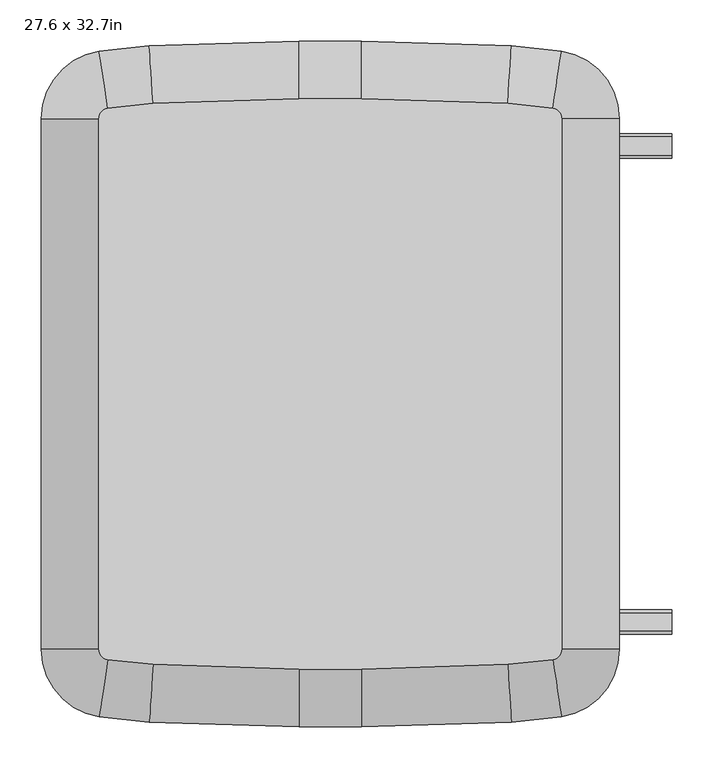
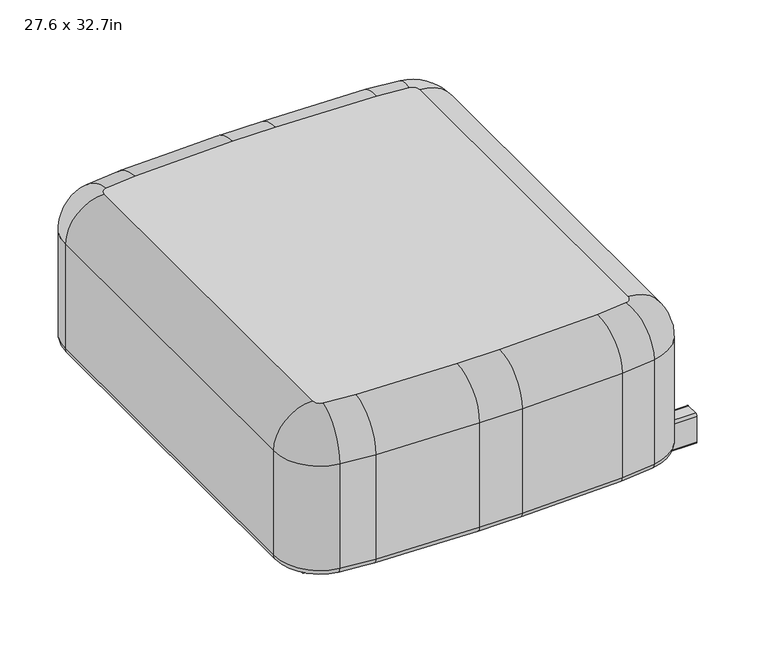
"""IFC4 building model written with IfcOpenShell, lengths in millimetres: furniture geometry, 27.6 x 32.7in."""

from ifc_helpers import new_model, si_unit, point, frame, frame_2d, origin, place, context, project, spatial, polyline, circle_curve, ellipse_curve, trimmed, segment, composite_curve, outline, extrude, source, transform, mapped, element, save
from ifc_brep_helpers import plane_surface, cylinder_surface, revolved_surface, advanced_brep


def furniture_27_6_x_32_7in_88be8f79(model_context):
    return source(origin(), model_context, "Body", "SolidModel", [
        extrude(outline(composite_curve([segment(polyline([(-299.48, 127.0), (-277.1, 127.0)]), True, "CONTINUOUS"), segment(trimmed(circle_curve(frame_2d((-277.1, 123.19)), 3.81), [point((-277.1, 127.0))], [point((-273.29, 123.19))], False, "CARTESIAN"), True, "CONTINUOUS"), segment(polyline([(-273.29, 123.19), (-273.29, 74.93)]), True, "CONTINUOUS"), segment(trimmed(circle_curve(frame_2d((-277.1, 74.93)), 3.81), [point((-273.29, 74.93))], [point((-277.1, 71.12))], False, "CARTESIAN"), True, "CONTINUOUS"), segment(polyline([(-277.1, 71.12), (-299.48, 71.12)]), True, "CONTINUOUS"), segment(trimmed(circle_curve(frame_2d((-299.48, 74.93)), 3.81), [point((-299.48, 71.12))], [point((-303.29, 74.93))], False, "CARTESIAN"), True, "CONTINUOUS"), segment(polyline([(-303.29, 74.93), (-303.29, 123.19)]), True, "CONTINUOUS"), segment(trimmed(circle_curve(frame_2d((-299.48, 123.19)), 3.81), [point((-303.29, 123.19))], [point((-299.48, 127.0))], False, "CARTESIAN"), True, "CONTINUOUS")], self_intersect=False)), frame((287.02, 0.0, 0.0), z_axis=(1.0, 0.0, 0.0), x_axis=(0.0, 1.0, 0.0)), (0.0, 0.0, 1.0), 127.0),
        extrude(outline(composite_curve([segment(trimmed(circle_curve(frame_2d((299.48, 123.19)), 3.81), [point((299.48, 127.0))], [point((303.29, 123.19))], False, "CARTESIAN"), True, "CONTINUOUS"), segment(polyline([(303.29, 123.19), (303.29, 74.93)]), True, "CONTINUOUS"), segment(trimmed(circle_curve(frame_2d((299.48, 74.93)), 3.81), [point((303.29, 74.93))], [point((299.48, 71.12))], False, "CARTESIAN"), True, "CONTINUOUS"), segment(polyline([(299.48, 71.12), (277.1, 71.12)]), True, "CONTINUOUS"), segment(trimmed(circle_curve(frame_2d((277.1, 74.93)), 3.81), [point((277.1, 71.12))], [point((273.29, 74.93))], False, "CARTESIAN"), True, "CONTINUOUS"), segment(polyline([(273.29, 74.93), (273.29, 123.19)]), True, "CONTINUOUS"), segment(trimmed(circle_curve(frame_2d((277.1, 123.19)), 3.81), [point((273.29, 123.19))], [point((277.1, 127.0))], False, "CARTESIAN"), True, "CONTINUOUS"), segment(polyline([(277.1, 127.0), (299.48, 127.0)]), True, "CONTINUOUS")], self_intersect=False)), frame((287.02, 0.0, 0.0), z_axis=(1.0, 0.0, 0.0), x_axis=(0.0, 1.0, 0.0)), (0.0, 0.0, 1.0), 127.0),
        extrude(outline(composite_curve([segment(polyline([(277.1, 127.0), (299.48, 127.0)]), True, "CONTINUOUS"), segment(trimmed(circle_curve(frame_2d((299.48, 123.19)), 3.81), [point((299.48, 127.0))], [point((303.29, 123.19))], False, "CARTESIAN"), True, "CONTINUOUS"), segment(polyline([(303.29, 123.19), (303.29, 74.93)]), True, "CONTINUOUS"), segment(trimmed(circle_curve(frame_2d((299.48, 74.93)), 3.81), [point((303.29, 74.93))], [point((299.48, 71.12))], False, "CARTESIAN"), True, "CONTINUOUS"), segment(polyline([(299.48, 71.12), (277.1, 71.12)]), True, "CONTINUOUS"), segment(trimmed(circle_curve(frame_2d((277.1, 74.93)), 3.81), [point((277.1, 71.12))], [point((273.29, 74.93))], False, "CARTESIAN"), True, "CONTINUOUS"), segment(polyline([(273.29, 74.93), (273.29, 123.19)]), True, "CONTINUOUS"), segment(trimmed(circle_curve(frame_2d((277.1, 123.19)), 3.81), [point((273.29, 123.19))], [point((277.1, 127.0))], False, "CARTESIAN"), True, "CONTINUOUS")], self_intersect=False)), frame((-287.02, 0.0, 0.0), z_axis=(1.0, 0.0, 0.0), x_axis=(0.0, 1.0, 0.0)), (0.0, 0.0, 1.0), 574.04),
        extrude(outline(composite_curve([segment(polyline([(-299.48, 127.0), (-277.1, 127.0)]), True, "CONTINUOUS"), segment(trimmed(circle_curve(frame_2d((-277.1, 123.19)), 3.81), [point((-277.1, 127.0))], [point((-273.29, 123.19))], False, "CARTESIAN"), True, "CONTINUOUS"), segment(polyline([(-273.29, 123.19), (-273.29, 74.93)]), True, "CONTINUOUS"), segment(trimmed(circle_curve(frame_2d((-277.1, 74.93)), 3.81), [point((-273.29, 74.93))], [point((-277.1, 71.12))], False, "CARTESIAN"), True, "CONTINUOUS"), segment(polyline([(-277.1, 71.12), (-299.48, 71.12)]), True, "CONTINUOUS"), segment(trimmed(circle_curve(frame_2d((-299.48, 74.93)), 3.81), [point((-299.48, 71.12))], [point((-303.29, 74.93))], False, "CARTESIAN"), True, "CONTINUOUS"), segment(polyline([(-303.29, 74.93), (-303.29, 123.19)]), True, "CONTINUOUS"), segment(trimmed(circle_curve(frame_2d((-299.48, 123.19)), 3.81), [point((-303.29, 123.19))], [point((-299.48, 127.0))], False, "CARTESIAN"), True, "CONTINUOUS")], self_intersect=False)), frame((-287.02, 0.0, 0.0), z_axis=(1.0, 0.0, 0.0), x_axis=(0.0, 1.0, 0.0)), (0.0, 0.0, 1.0), 574.04),
        advanced_brep(
        [(-280.2517982, -403.1636253, 139.7), (-350.52, -321.5323817, 139.7), (-337.82, -321.5323817, 127.0), (-278.3622908, -390.6049724, 127.0), (-280.2517982, -403.1636253, 336.55), (-350.52, -321.5323817, 336.55), (-218.6519754, -396.951287, 127.0), (-219.444455, -409.6265376, 139.7), (-219.444455, -409.6265376, 336.55), (-38.1, -402.59, 127.0), (-38.1, -415.29, 139.7), (-38.1, -415.29, 336.55), (38.1, -402.59, 127.0), (38.1, -415.29, 139.7), (38.1, -415.29, 336.55), (218.6519754, -396.951287, 127.0), (219.444455, -409.6265376, 139.7), (219.444455, -409.6265376, 336.55), (278.3622908, -390.6049724, 127.0), (280.2517982, -403.1636253, 139.7), (280.2517982, -403.1636253, 336.55), (337.82, -321.5323817, 127.0), (350.52, -321.5323817, 139.7), (350.52, -321.5323817, 336.55), (337.82, 321.5323817, 127.0), (350.52, 321.5323817, 139.7), (350.52, 321.5323817, 336.55), (278.3622908, 390.6049724, 127.0), (280.2517982, 403.1636253, 139.7), (280.2517982, 403.1636253, 336.55), (218.6519754, 396.951287, 127.0), (219.444455, 409.6265376, 139.7), (219.444455, 409.6265376, 336.55), (38.1, 402.59, 127.0), (38.1, 415.29, 139.7), (38.1, 415.29, 336.55), (-38.1, 402.59, 127.0), (-38.1, 415.29, 139.7), (-38.1, 415.29, 336.55), (-218.6519754, 396.951287, 127.0), (-219.444455, 409.6265376, 139.7), (-219.444455, 409.6265376, 336.55), (-278.3622908, 390.6049724, 127.0), (-280.2517982, 403.1636253, 139.7), (-280.2517982, 403.1636253, 336.55), (-337.82, 321.5323817, 127.0), (-350.52, 321.5323817, 139.7), (-350.52, 321.5323817, 336.55), (-215.0858173, 339.9126596, 406.4), (-269.8595074, 334.0910345, 406.4), (-280.67, 321.5323817, 406.4), (-280.67, -321.5323817, 406.4), (-269.8595074, -334.0910345, 406.4), (-215.0858173, -339.9126596, 406.4), (-38.1, -345.44, 406.4), (38.1, -345.44, 406.4), (215.0858173, -339.9126596, 406.4), (269.8595074, -334.0910345, 406.4), (280.67, -321.5323817, 406.4), (280.67, 321.5323817, 406.4), (269.8595074, 334.0910345, 406.4), (215.0858173, 339.9126596, 406.4), (38.1, 345.44, 406.4), (-38.1, 345.44, 406.4)],
        [
            (0, 1, circle_curve(frame((-267.97, -321.5323817, 139.7), z_axis=(0.0, 0.0, -1.0), x_axis=(-1.0, 0.0, 0.0)), 82.55)),
            (1, 2, circle_curve(frame((-337.82, -321.5323817, 139.7), z_axis=(0.0, -1.0, 0.0), x_axis=(1.0, 0.0, 0.0)), 12.7)),
            (2, 3, circle_curve(frame((-267.97, -321.5323817, 127.0), z_axis=(0.0, 0.0, 1.0), x_axis=(-1.0, 0.0, 0.0)), 69.85)),
            (3, 0, circle_curve(frame((-278.3622908, -390.6049724, 139.7), z_axis=(-0.988870304083689, 0.1487801119149752, 0.0), x_axis=(0.1487801119149752, 0.988870304083689, 0.0)), 12.7)),
            (0, 4),
            (4, 5, circle_curve(frame((-267.97, -321.5323817, 336.55), z_axis=(0.0, 0.0, -1.0), x_axis=(-1.0, 0.0, 0.0)), 82.55)),
            (5, 1),
            (3, 6, circle_curve(frame((-175.5179687, 292.952089, 127.0), z_axis=(0.0, 0.0, 1.0), x_axis=(-0.14878011191497612, -0.9888703040836888, 0.0)), 691.2504689)),
            (6, 7, circle_curve(frame((-218.6519754, -396.951287, 139.7), z_axis=(-0.9980512231710863, 0.06239996736135857, 0.0), x_axis=(0.06239996736135857, 0.9980512231710863, 0.0)), 12.7)),
            (7, 0, circle_curve(frame((-175.5179687, 292.952089, 139.7), z_axis=(0.0, 0.0, -1.0), x_axis=(-0.14878011191497612, -0.9888703040836888, 0.0)), 703.9504689)),
            (7, 8),
            (8, 4, circle_curve(frame((-175.5179687, 292.952089, 336.55), z_axis=(0.0, 0.0, -1.0), x_axis=(-0.14878011191497612, -0.9888703040836888, 0.0)), 703.9504689)),
            (6, 9, circle_curve(frame((-38.1, 2490.8726576, 127.0), z_axis=(0.0, 0.0, 1.0), x_axis=(-0.062399967361358485, -0.9980512231710862, 0.0)), 2893.4626576)),
            (9, 10, circle_curve(frame((-38.1, -402.59, 139.7), z_axis=(-0.9999999999999999, 0.0, 0.0), x_axis=(0.0, 0.9999999999999999, 0.0)), 12.7)),
            (10, 7, circle_curve(frame((-38.1, 2490.8726576, 139.7), z_axis=(0.0, 0.0, -1.0), x_axis=(-0.062399967361358485, -0.9980512231710862, 0.0)), 2906.1626576)),
            (10, 11),
            (11, 8, circle_curve(frame((-38.1, 2490.8726576, 336.55), z_axis=(0.0, 0.0, -1.0), x_axis=(-0.062399967361358485, -0.9980512231710862, 0.0)), 2906.1626576)),
            (9, 12),
            (12, 13, circle_curve(frame((38.1, -402.59, 139.7), z_axis=(-1.0, 0.0, 0.0), x_axis=(0.0, 1.0, 0.0)), 12.7)),
            (13, 10),
            (13, 14),
            (14, 11),
            (12, 15, circle_curve(frame((38.1, 2490.8726576, 127.0), z_axis=(0.0, 0.0, 1.0), x_axis=(0.0, -1.0, 0.0)), 2893.4626576)),
            (15, 16, circle_curve(frame((218.6519754, -396.951287, 139.7), z_axis=(-0.9980512231710863, -0.06239996736135682, 0.0), x_axis=(-0.06239996736135682, 0.9980512231710863, 0.0)), 12.7)),
            (16, 13, circle_curve(frame((38.1, 2490.8726576, 139.7), z_axis=(0.0, 0.0, -1.0), x_axis=(0.0, -1.0, 0.0)), 2906.1626576)),
            (16, 17),
            (17, 14, circle_curve(frame((38.1, 2490.8726576, 336.55), z_axis=(0.0, 0.0, -1.0), x_axis=(0.0, -1.0, 0.0)), 2906.1626576)),
            (15, 18, circle_curve(frame((175.5179687, 292.952089, 127.0), z_axis=(0.0, 0.0, 1.0), x_axis=(0.062399967361352164, -0.9980512231710866, 0.0)), 691.2504689)),
            (18, 19, circle_curve(frame((278.3622908, -390.6049724, 139.7), z_axis=(-0.9888703040836846, -0.14878011191500326, 0.0), x_axis=(-0.14878011191500326, 0.9888703040836846, 0.0)), 12.7)),
            (19, 16, circle_curve(frame((175.5179687, 292.952089, 139.7), z_axis=(0.0, 0.0, -1.0), x_axis=(0.062399967361352164, -0.9980512231710866, 0.0)), 703.9504689)),
            (19, 20),
            (20, 17, circle_curve(frame((175.5179687, 292.952089, 336.55), z_axis=(0.0, 0.0, -1.0), x_axis=(0.062399967361352164, -0.9980512231710866, 0.0)), 703.9504689)),
            (18, 21, circle_curve(frame((267.97, -321.5323817, 127.0), z_axis=(0.0, 0.0, 1.0), x_axis=(0.14878011191500345, -0.9888703040836847, 0.0)), 69.85)),
            (21, 22, circle_curve(frame((337.82, -321.5323817, 139.7), z_axis=(0.0, -1.0, 0.0), x_axis=(-1.0, 0.0, 0.0)), 12.7)),
            (22, 19, circle_curve(frame((267.97, -321.5323817, 139.7), z_axis=(0.0, 0.0, -1.0), x_axis=(0.14878011191500345, -0.9888703040836847, 0.0)), 82.55)),
            (22, 23),
            (23, 20, circle_curve(frame((267.97, -321.5323817, 336.55), z_axis=(0.0, 0.0, -1.0), x_axis=(0.14878011191500345, -0.9888703040836847, 0.0)), 82.55)),
            (21, 24),
            (24, 25, circle_curve(frame((337.82, 321.5323817, 139.7), z_axis=(0.0, -1.0, 0.0), x_axis=(-1.0, 0.0, 0.0)), 12.7)),
            (25, 22),
            (25, 26),
            (26, 23),
            (24, 27, circle_curve(frame((267.97, 321.5323817, 127.0), z_axis=(0.0, 0.0, 1.0), x_axis=(1.0, 0.0, 0.0)), 69.85)),
            (27, 28, circle_curve(frame((278.3622908, 390.6049724, 139.7), z_axis=(0.9888703040836847, -0.14878011191500387, 0.0), x_axis=(-0.14878011191500387, -0.9888703040836847, 0.0)), 12.7)),
            (28, 25, circle_curve(frame((267.97, 321.5323817, 139.7), z_axis=(0.0, 0.0, -1.0), x_axis=(1.0, 0.0, 0.0)), 82.55)),
            (28, 29),
            (29, 26, circle_curve(frame((267.97, 321.5323817, 336.55), z_axis=(0.0, 0.0, -1.0), x_axis=(1.0, 0.0, 0.0)), 82.55)),
            (27, 30, circle_curve(frame((175.5179687, -292.952089, 127.0), z_axis=(0.0, 0.0, 1.0), x_axis=(0.14878011191500345, 0.9888703040836847, 0.0)), 691.2504689)),
            (30, 31, circle_curve(frame((218.6519754, 396.951287, 139.7), z_axis=(0.9980512231710862, -0.06239996736135908, 0.0), x_axis=(-0.06239996736135908, -0.9980512231710862, 0.0)), 12.7)),
            (31, 28, circle_curve(frame((175.5179687, -292.952089, 139.7), z_axis=(0.0, 0.0, -1.0), x_axis=(0.14878011191500345, 0.9888703040836847, 0.0)), 703.9504689)),
            (31, 32),
            (32, 29, circle_curve(frame((175.5179687, -292.952089, 336.55), z_axis=(0.0, 0.0, -1.0), x_axis=(0.14878011191500345, 0.9888703040836847, 0.0)), 703.9504689)),
            (30, 33, circle_curve(frame((38.1, -2490.8726576, 127.0), z_axis=(0.0, 0.0, 1.0), x_axis=(0.06239996736135861, 0.9980512231710862, 0.0)), 2893.4626576)),
            (33, 34, circle_curve(frame((38.1, 402.59, 139.7), z_axis=(1.0, 0.0, 0.0), x_axis=(0.0, -1.0, 0.0)), 12.7)),
            (34, 31, circle_curve(frame((38.1, -2490.8726576, 139.7), z_axis=(0.0, 0.0, -1.0), x_axis=(0.06239996736135861, 0.9980512231710862, 0.0)), 2906.1626576)),
            (34, 35),
            (35, 32, circle_curve(frame((38.1, -2490.8726576, 336.55), z_axis=(0.0, 0.0, -1.0), x_axis=(0.06239996736135861, 0.9980512231710862, 0.0)), 2906.1626576)),
            (33, 36),
            (36, 37, circle_curve(frame((-38.1, 402.59, 139.7), z_axis=(1.0, 0.0, 0.0), x_axis=(0.0, -1.0, 0.0)), 12.7)),
            (37, 34),
            (37, 38),
            (38, 35),
            (36, 39, circle_curve(frame((-38.1, -2490.8726576, 127.0), z_axis=(0.0, 0.0, 1.0), x_axis=(0.0, 1.0, 0.0)), 2893.4626576)),
            (39, 40, circle_curve(frame((-218.6519754, 396.951287, 139.7), z_axis=(0.9980512231710863, 0.06239996736135681, 0.0), x_axis=(0.06239996736135681, -0.9980512231710863, 0.0)), 12.7)),
            (40, 37, circle_curve(frame((-38.1, -2490.8726576, 139.7), z_axis=(0.0, 0.0, -1.0), x_axis=(0.0, 1.0, 0.0)), 2906.1626576)),
            (40, 41),
            (41, 38, circle_curve(frame((-38.1, -2490.8726576, 336.55), z_axis=(0.0, 0.0, -1.0), x_axis=(0.0, 1.0, 0.0)), 2906.1626576)),
            (39, 42, circle_curve(frame((-175.5179687, -292.952089, 127.0), z_axis=(0.0, 0.0, 1.0), x_axis=(-0.06239996736135204, 0.9980512231710866, 0.0)), 691.2504689)),
            (42, 43, circle_curve(frame((-278.3622908, 390.6049724, 139.7), z_axis=(0.9888703040836888, 0.14878011191497595, 0.0), x_axis=(0.14878011191497595, -0.9888703040836888, 0.0)), 12.7)),
            (43, 40, circle_curve(frame((-175.5179687, -292.952089, 139.7), z_axis=(0.0, 0.0, -1.0), x_axis=(-0.06239996736135204, 0.9980512231710866, 0.0)), 703.9504689)),
            (43, 44),
            (44, 41, circle_curve(frame((-175.5179687, -292.952089, 336.55), z_axis=(0.0, 0.0, -1.0), x_axis=(-0.06239996736135204, 0.9980512231710866, 0.0)), 703.9504689)),
            (42, 45, circle_curve(frame((-267.97, 321.5323817, 127.0), z_axis=(0.0, 0.0, 1.0), x_axis=(-0.14878011191497523, 0.9888703040836889, 0.0)), 69.85)),
            (45, 46, circle_curve(frame((-337.82, 321.5323817, 139.7), z_axis=(0.0, 1.0, 0.0), x_axis=(1.0, 0.0, 0.0)), 12.7)),
            (46, 43, circle_curve(frame((-267.97, 321.5323817, 139.7), z_axis=(0.0, 0.0, -1.0), x_axis=(-0.14878011191497523, 0.9888703040836889, 0.0)), 82.55)),
            (46, 47),
            (47, 44, circle_curve(frame((-267.97, 321.5323817, 336.55), z_axis=(0.0, 0.0, -1.0), x_axis=(-0.14878011191497523, 0.9888703040836889, 0.0)), 82.55)),
            (48, 49, circle_curve(frame((-175.5179687, -292.952089, 406.4), z_axis=(0.0, 0.0, 1.0), x_axis=(-0.06239996736135204, 0.9980512231710866, 0.0)), 634.1004689)),
            (49, 50, circle_curve(frame((-267.97, 321.5323817, 406.4), z_axis=(0.0, 0.0, 1.0), x_axis=(-0.14878011191497523, 0.9888703040836889, 0.0)), 12.7)),
            (50, 51),
            (51, 52, circle_curve(frame((-267.97, -321.5323817, 406.4), z_axis=(0.0, 0.0, 1.0), x_axis=(-1.0, 0.0, 0.0)), 12.7)),
            (52, 53, circle_curve(frame((-175.5179687, 292.952089, 406.4), z_axis=(0.0, 0.0, 1.0), x_axis=(-0.14878011191497612, -0.9888703040836888, 0.0)), 634.1004689)),
            (53, 54, circle_curve(frame((-38.1, 2490.8726576, 406.4), z_axis=(0.0, 0.0, 1.0), x_axis=(-0.062399967361358485, -0.9980512231710862, 0.0)), 2836.3126576)),
            (54, 55),
            (55, 56, circle_curve(frame((38.1, 2490.8726576, 406.4), z_axis=(0.0, 0.0, 1.0), x_axis=(0.0, -1.0, 0.0)), 2836.3126576)),
            (56, 57, circle_curve(frame((175.5179687, 292.952089, 406.4), z_axis=(0.0, 0.0, 1.0), x_axis=(0.062399967361352164, -0.9980512231710866, 0.0)), 634.1004689)),
            (57, 58, circle_curve(frame((267.97, -321.5323817, 406.4), z_axis=(0.0, 0.0, 1.0), x_axis=(0.14878011191500345, -0.9888703040836847, 0.0)), 12.7)),
            (58, 59),
            (59, 60, circle_curve(frame((267.97, 321.5323817, 406.4), z_axis=(0.0, 0.0, 1.0), x_axis=(1.0, 0.0, 0.0)), 12.7)),
            (60, 61, circle_curve(frame((175.5179687, -292.952089, 406.4), z_axis=(0.0, 0.0, 1.0), x_axis=(0.14878011191500345, 0.9888703040836847, 0.0)), 634.1004689)),
            (61, 62, circle_curve(frame((38.1, -2490.8726576, 406.4), z_axis=(0.0, 0.0, 1.0), x_axis=(0.06239996736135861, 0.9980512231710862, 0.0)), 2836.3126576)),
            (62, 63),
            (63, 48, circle_curve(frame((-38.1, -2490.8726576, 406.4), z_axis=(0.0, 0.0, 1.0), x_axis=(0.0, 1.0, 0.0)), 2836.3126576)),
            (2, 45),
            (1, 46),
            (5, 47),
            (4, 52, circle_curve(frame((-269.8595074, -334.0910345, 336.55), z_axis=(-0.988870304083689, 0.14878011191497542, 0.0), x_axis=(0.14878011191497542, 0.988870304083689, 0.0)), 69.85)),
            (51, 5, circle_curve(frame((-280.67, -321.5323817, 336.55), z_axis=(0.0, -1.0, 0.0), x_axis=(1.0, 0.0, 0.0)), 69.85)),
            (8, 53, circle_curve(frame((-215.0858173, -339.9126596, 336.55), z_axis=(-0.9980512231710862, 0.062399967361358596, 0.0), x_axis=(0.062399967361358596, 0.9980512231710862, 0.0)), 69.85)),
            (11, 54, circle_curve(frame((-38.1, -345.44, 336.55), z_axis=(-0.9999999999999999, 0.0, 0.0), x_axis=(0.0, 0.9999999999999999, 0.0)), 69.85)),
            (14, 55, circle_curve(frame((38.1, -345.44, 336.55), z_axis=(-1.0, 0.0, 0.0), x_axis=(0.0, 1.0, 0.0)), 69.85)),
            (17, 56, circle_curve(frame((215.0858173, -339.9126596, 336.55), z_axis=(-0.9980512231710863, -0.0623999673613568, 0.0), x_axis=(-0.0623999673613568, 0.9980512231710863, 0.0)), 69.85)),
            (20, 57, circle_curve(frame((269.8595074, -334.0910345, 336.55), z_axis=(-0.9888703040836846, -0.14878011191500332, 0.0), x_axis=(-0.14878011191500332, 0.9888703040836846, 0.0)), 69.85)),
            (23, 58, circle_curve(frame((280.67, -321.5323817, 336.55), z_axis=(0.0, -1.0, 0.0), x_axis=(-1.0, 0.0, 0.0)), 69.85)),
            (26, 59, circle_curve(frame((280.67, 321.5323817, 336.55), z_axis=(0.0, -1.0, 0.0), x_axis=(-1.0, 0.0, 0.0)), 69.85)),
            (29, 60, circle_curve(frame((269.8595074, 334.0910345, 336.55), z_axis=(0.9888703040836847, -0.1487801119150041, 0.0), x_axis=(-0.1487801119150041, -0.9888703040836847, 0.0)), 69.85)),
            (32, 61, circle_curve(frame((215.0858173, 339.9126596, 336.55), z_axis=(0.9980512231710862, -0.06239996736135908, 0.0), x_axis=(-0.06239996736135908, -0.9980512231710862, 0.0)), 69.85)),
            (35, 62, circle_curve(frame((38.1, 345.44, 336.55), z_axis=(1.0, 0.0, 0.0), x_axis=(0.0, -1.0, 0.0)), 69.85)),
            (38, 63, circle_curve(frame((-38.1, 345.44, 336.55), z_axis=(1.0, 0.0, 0.0), x_axis=(0.0, -1.0, 0.0)), 69.85)),
            (41, 48, circle_curve(frame((-215.0858173, 339.9126596, 336.55), z_axis=(0.9980512231710863, 0.062399967361356785, 0.0), x_axis=(0.062399967361356785, -0.9980512231710863, 0.0)), 69.85)),
            (44, 49, circle_curve(frame((-269.8595074, 334.0910345, 336.55), z_axis=(0.9888703040836888, 0.14878011191497598, 0.0), x_axis=(0.14878011191497598, -0.9888703040836888, 0.0)), 69.85)),
            (47, 50, circle_curve(frame((-280.67, 321.5323817, 336.55), z_axis=(0.0, 1.0, 0.0), x_axis=(1.0, 0.0, 0.0)), 69.85)),
        ],
        [
            revolved_surface(trimmed(ellipse_curve(frame((-337.82, -321.5323817, 139.7), z_axis=(0.0, 1.0, 0.0), x_axis=(1.0, 0.0, 0.0)), 12.7, 12.7), [point((-337.82, -321.5323817, 127.0))], [point((-350.52, -321.5323817, 139.7))], True, "CARTESIAN"), (-267.97, -321.5323817, 0.0), (0.0, 0.0, 1.0)),
            cylinder_surface(frame((-267.97, -321.5323817, 0.0), z_axis=(0.0, 0.0, 1.0), x_axis=(-1.0, 0.0, 0.0)), 82.55),
            revolved_surface(trimmed(ellipse_curve(frame((-278.3622908, -390.6049724, 139.7), z_axis=(-0.9888703040836888, 0.1487801119149763, 0.0), x_axis=(0.1487801119149763, 0.9888703040836888, 0.0)), 12.7, 12.7), [point((-278.3622908, -390.6049724, 127.0))], [point((-280.2517982, -403.1636253, 139.7))], True, "CARTESIAN"), (-175.5179687, 292.952089, 0.0), (0.0, 0.0, 1.0)),
            cylinder_surface(frame((-175.5179687, 292.952089, 0.0), z_axis=(0.0, 0.0, 1.0), x_axis=(-0.14878011191497612, -0.9888703040836888, 0.0)), 703.9504689),
            revolved_surface(trimmed(ellipse_curve(frame((-218.6519754, -396.951287, 139.7), z_axis=(-0.9980512231710862, 0.06239996736135868, 0.0), x_axis=(0.06239996736135868, 0.9980512231710862, 0.0)), 12.7, 12.7), [point((-218.6519754, -396.951287, 127.0))], [point((-219.444455, -409.6265376, 139.7))], True, "CARTESIAN"), (-38.1, 2490.8726576, 0.0), (0.0, 0.0, 1.0)),
            cylinder_surface(frame((-38.1, 2490.8726576, 0.0), z_axis=(0.0, 0.0, 1.0), x_axis=(-0.062399967361358485, -0.9980512231710862, 0.0)), 2906.1626576),
            cylinder_surface(frame((-38.1, -402.59, 139.7), z_axis=(-1.0, 0.0, 0.0), x_axis=(0.0, 1.0, 0.0)), 12.7),
            plane_surface(frame((-38.1, -415.29, 139.7), z_axis=(0.0, -1.0, 0.0), x_axis=(1.0, 0.0, 0.0))),
            revolved_surface(trimmed(ellipse_curve(frame((38.1, -402.59, 139.7), z_axis=(-1.0, 0.0, 0.0), x_axis=(0.0, 1.0, 0.0)), 12.7, 12.7), [point((38.1, -402.59, 127.0))], [point((38.1, -415.29, 139.7))], True, "CARTESIAN"), (38.1, 2490.8726576, 0.0), (0.0, 0.0, 1.0)),
            cylinder_surface(frame((38.1, 2490.8726576, 0.0), z_axis=(0.0, 0.0, 1.0), x_axis=(0.0, -1.0, 0.0)), 2906.1626576),
            revolved_surface(trimmed(ellipse_curve(frame((218.6519754, -396.951287, 139.7), z_axis=(-0.9980512231710866, -0.06239996736135197, 0.0), x_axis=(-0.06239996736135197, 0.9980512231710866, 0.0)), 12.7, 12.7), [point((218.6519754, -396.951287, 127.0))], [point((219.444455, -409.6265376, 139.7))], True, "CARTESIAN"), (175.5179687, 292.952089, 0.0), (0.0, 0.0, 1.0)),
            cylinder_surface(frame((175.5179687, 292.952089, 0.0), z_axis=(0.0, 0.0, 1.0), x_axis=(0.062399967361352164, -0.9980512231710866, 0.0)), 703.9504689),
            revolved_surface(trimmed(ellipse_curve(frame((278.3622908, -390.6049724, 139.7), z_axis=(-0.9888703040836847, -0.14878011191500326, 0.0), x_axis=(-0.14878011191500326, 0.9888703040836847, 0.0)), 12.7, 12.7), [point((278.3622908, -390.6049724, 127.0))], [point((280.2517982, -403.1636253, 139.7))], True, "CARTESIAN"), (267.97, -321.5323817, 0.0), (0.0, 0.0, 1.0)),
            cylinder_surface(frame((267.97, -321.5323817, 0.0), z_axis=(0.0, 0.0, 1.0), x_axis=(0.14878011191500345, -0.9888703040836847, 0.0)), 82.55),
            cylinder_surface(frame((337.82, -321.5323817, 139.7), z_axis=(0.0, -1.0, 0.0), x_axis=(-1.0, 0.0, 0.0)), 12.7),
            plane_surface(frame((350.52, -321.5323817, 139.7), z_axis=(1.0, 0.0, 0.0), x_axis=(0.0, 1.0, 0.0))),
            revolved_surface(trimmed(ellipse_curve(frame((337.82, 321.5323817, 139.7), z_axis=(0.0, -1.0, 0.0), x_axis=(-1.0, 0.0, 0.0)), 12.7, 12.7), [point((337.82, 321.5323817, 127.0))], [point((350.52, 321.5323817, 139.7))], True, "CARTESIAN"), (267.97, 321.5323817, 0.0), (0.0, 0.0, 1.0)),
            cylinder_surface(frame((267.97, 321.5323817, 0.0), z_axis=(0.0, 0.0, 1.0), x_axis=(1.0, 0.0, 0.0)), 82.55),
            revolved_surface(trimmed(ellipse_curve(frame((278.3622908, 390.6049724, 139.7), z_axis=(0.9888703040836847, -0.14878011191500362, 0.0), x_axis=(-0.14878011191500362, -0.9888703040836847, 0.0)), 12.7, 12.7), [point((278.3622908, 390.6049724, 127.0))], [point((280.2517982, 403.1636253, 139.7))], True, "CARTESIAN"), (175.5179687, -292.952089, 0.0), (0.0, 0.0, 1.0)),
            cylinder_surface(frame((175.5179687, -292.952089, 0.0), z_axis=(0.0, 0.0, 1.0), x_axis=(0.14878011191500345, 0.9888703040836847, 0.0)), 703.9504689),
            revolved_surface(trimmed(ellipse_curve(frame((218.6519754, 396.951287, 139.7), z_axis=(0.9980512231710862, -0.06239996736135877, 0.0), x_axis=(-0.06239996736135877, -0.9980512231710862, 0.0)), 12.7, 12.7), [point((218.6519754, 396.951287, 127.0))], [point((219.444455, 409.6265376, 139.7))], True, "CARTESIAN"), (38.1, -2490.8726576, 0.0), (0.0, 0.0, 1.0)),
            cylinder_surface(frame((38.1, -2490.8726576, 0.0), z_axis=(0.0, 0.0, 1.0), x_axis=(0.06239996736135861, 0.9980512231710862, 0.0)), 2906.1626576),
            cylinder_surface(frame((38.1, 402.59, 139.7), z_axis=(1.0, 0.0, 0.0), x_axis=(0.0, -1.0, 0.0)), 12.7),
            plane_surface(frame((38.1, 415.29, 139.7), z_axis=(0.0, 1.0, 0.0), x_axis=(-1.0, 0.0, 0.0))),
            revolved_surface(trimmed(ellipse_curve(frame((-38.1, 402.59, 139.7), z_axis=(1.0, 0.0, 0.0), x_axis=(0.0, -1.0, 0.0)), 12.7, 12.7), [point((-38.1, 402.59, 127.0))], [point((-38.1, 415.29, 139.7))], True, "CARTESIAN"), (-38.1, -2490.8726576, 0.0), (0.0, 0.0, 1.0)),
            cylinder_surface(frame((-38.1, -2490.8726576, 0.0), z_axis=(0.0, 0.0, 1.0), x_axis=(0.0, 1.0, 0.0)), 2906.1626576),
            revolved_surface(trimmed(ellipse_curve(frame((-218.6519754, 396.951287, 139.7), z_axis=(0.9980512231710866, 0.06239996736135188, 0.0), x_axis=(0.06239996736135188, -0.9980512231710866, 0.0)), 12.7, 12.7), [point((-218.6519754, 396.951287, 127.0))], [point((-219.444455, 409.6265376, 139.7))], True, "CARTESIAN"), (-175.5179687, -292.952089, 0.0), (0.0, 0.0, 1.0)),
            cylinder_surface(frame((-175.5179687, -292.952089, 0.0), z_axis=(0.0, 0.0, 1.0), x_axis=(-0.06239996736135204, 0.9980512231710866, 0.0)), 703.9504689),
            revolved_surface(trimmed(ellipse_curve(frame((-278.3622908, 390.6049724, 139.7), z_axis=(0.9888703040836889, 0.14878011191497503, 0.0), x_axis=(0.14878011191497503, -0.9888703040836889, 0.0)), 12.7, 12.7), [point((-278.3622908, 390.6049724, 127.0))], [point((-280.2517982, 403.1636253, 139.7))], True, "CARTESIAN"), (-267.97, 321.5323817, 0.0), (0.0, 0.0, 1.0)),
            cylinder_surface(frame((-267.97, 321.5323817, 0.0), z_axis=(0.0, 0.0, 1.0), x_axis=(-0.14878011191497523, 0.9888703040836889, 0.0)), 82.55),
            plane_surface(frame((-280.67, 321.5323817, 406.4), z_axis=(0.0, 0.0, 1.0), x_axis=(0.0, -1.0, 0.0))),
            plane_surface(frame((-274.32, 321.5323817, 127.0), z_axis=(0.0, 0.0, -1.0), x_axis=(0.0, -1.0, 0.0))),
            cylinder_surface(frame((-337.82, 321.5323817, 139.7), z_axis=(0.0, 1.0, 0.0), x_axis=(1.0, 0.0, 0.0)), 12.7),
            plane_surface(frame((-350.52, 321.5323817, 139.7), z_axis=(-1.0, 0.0, 0.0), x_axis=(0.0, -1.0, 0.0))),
            revolved_surface(trimmed(ellipse_curve(frame((-280.67, -321.5323817, 336.55), z_axis=(0.0, 1.0, 0.0), x_axis=(1.0, 0.0, 0.0)), 69.85, 69.85), [point((-350.52, -321.5323817, 336.55))], [point((-280.67, -321.5323817, 406.4))], True, "CARTESIAN"), (-267.97, -321.5323817, 0.0), (0.0, 0.0, 1.0)),
            revolved_surface(trimmed(ellipse_curve(frame((-269.8595074, -334.0910345, 336.55), z_axis=(-0.9888703040836888, 0.1487801119149763, 0.0), x_axis=(0.1487801119149763, 0.9888703040836888, 0.0)), 69.85, 69.85), [point((-280.2517982, -403.1636253, 336.55))], [point((-269.8595074, -334.0910345, 406.4))], True, "CARTESIAN"), (-175.5179687, 292.952089, 0.0), (0.0, 0.0, 1.0)),
            revolved_surface(trimmed(ellipse_curve(frame((-215.0858173, -339.9126596, 336.55), z_axis=(-0.9980512231710862, 0.06239996736135868, 0.0), x_axis=(0.06239996736135868, 0.9980512231710862, 0.0)), 69.85, 69.85), [point((-219.444455, -409.6265376, 336.55))], [point((-215.0858173, -339.9126596, 406.4))], True, "CARTESIAN"), (-38.1, 2490.8726576, 0.0), (0.0, 0.0, 1.0)),
            cylinder_surface(frame((-38.1, -345.44, 336.55), z_axis=(-1.0, 0.0, 0.0), x_axis=(0.0, 1.0, 0.0)), 69.85),
            revolved_surface(trimmed(ellipse_curve(frame((38.1, -345.44, 336.55), z_axis=(-1.0, 0.0, 0.0), x_axis=(0.0, 1.0, 0.0)), 69.85, 69.85), [point((38.1, -415.29, 336.55))], [point((38.1, -345.44, 406.4))], True, "CARTESIAN"), (38.1, 2490.8726576, 0.0), (0.0, 0.0, 1.0)),
            revolved_surface(trimmed(ellipse_curve(frame((215.0858173, -339.9126596, 336.55), z_axis=(-0.9980512231710866, -0.06239996736135197, 0.0), x_axis=(-0.06239996736135197, 0.9980512231710866, 0.0)), 69.85, 69.85), [point((219.444455, -409.6265376, 336.55))], [point((215.0858173, -339.9126596, 406.4))], True, "CARTESIAN"), (175.5179687, 292.952089, 0.0), (0.0, 0.0, 1.0)),
            revolved_surface(trimmed(ellipse_curve(frame((269.8595074, -334.0910345, 336.55), z_axis=(-0.9888703040836847, -0.14878011191500326, 0.0), x_axis=(-0.14878011191500326, 0.9888703040836847, 0.0)), 69.85, 69.85), [point((280.2517982, -403.1636253, 336.55))], [point((269.8595074, -334.0910345, 406.4))], True, "CARTESIAN"), (267.97, -321.5323817, 0.0), (0.0, 0.0, 1.0)),
            cylinder_surface(frame((280.67, -321.5323817, 336.55), z_axis=(0.0, -1.0, 0.0), x_axis=(-1.0, 0.0, 0.0)), 69.85),
            revolved_surface(trimmed(ellipse_curve(frame((280.67, 321.5323817, 336.55), z_axis=(0.0, -1.0, 0.0), x_axis=(-1.0, 0.0, 0.0)), 69.85, 69.85), [point((350.52, 321.5323817, 336.55))], [point((280.67, 321.5323817, 406.4))], True, "CARTESIAN"), (267.97, 321.5323817, 0.0), (0.0, 0.0, 1.0)),
            revolved_surface(trimmed(ellipse_curve(frame((269.8595074, 334.0910345, 336.55), z_axis=(0.9888703040836847, -0.14878011191500362, 0.0), x_axis=(-0.14878011191500362, -0.9888703040836847, 0.0)), 69.85, 69.85), [point((280.2517982, 403.1636253, 336.55))], [point((269.8595074, 334.0910345, 406.4))], True, "CARTESIAN"), (175.5179687, -292.952089, 0.0), (0.0, 0.0, 1.0)),
            revolved_surface(trimmed(ellipse_curve(frame((215.0858173, 339.9126596, 336.55), z_axis=(0.9980512231710862, -0.06239996736135877, 0.0), x_axis=(-0.06239996736135877, -0.9980512231710862, 0.0)), 69.85, 69.85), [point((219.444455, 409.6265376, 336.55))], [point((215.0858173, 339.9126596, 406.4))], True, "CARTESIAN"), (38.1, -2490.8726576, 0.0), (0.0, 0.0, 1.0)),
            cylinder_surface(frame((38.1, 345.44, 336.55), z_axis=(1.0, 0.0, 0.0), x_axis=(0.0, -1.0, 0.0)), 69.85),
            revolved_surface(trimmed(ellipse_curve(frame((-38.1, 345.44, 336.55), z_axis=(1.0, 0.0, 0.0), x_axis=(0.0, -1.0, 0.0)), 69.85, 69.85), [point((-38.1, 415.29, 336.55))], [point((-38.1, 345.44, 406.4))], True, "CARTESIAN"), (-38.1, -2490.8726576, 0.0), (0.0, 0.0, 1.0)),
            revolved_surface(trimmed(ellipse_curve(frame((-215.0858173, 339.9126596, 336.55), z_axis=(0.9980512231710866, 0.06239996736135188, 0.0), x_axis=(0.06239996736135188, -0.9980512231710866, 0.0)), 69.85, 69.85), [point((-219.444455, 409.6265376, 336.55))], [point((-215.0858173, 339.9126596, 406.4))], True, "CARTESIAN"), (-175.5179687, -292.952089, 0.0), (0.0, 0.0, 1.0)),
            revolved_surface(trimmed(ellipse_curve(frame((-269.8595074, 334.0910345, 336.55), z_axis=(0.9888703040836889, 0.14878011191497503, 0.0), x_axis=(0.14878011191497503, -0.9888703040836889, 0.0)), 69.85, 69.85), [point((-280.2517982, 403.1636253, 336.55))], [point((-269.8595074, 334.0910345, 406.4))], True, "CARTESIAN"), (-267.97, 321.5323817, 0.0), (0.0, 0.0, 1.0)),
            cylinder_surface(frame((-280.67, 321.5323817, 336.55), z_axis=(0.0, 1.0, 0.0), x_axis=(1.0, 0.0, 0.0)), 69.85),
        ],
        [
            (0, [[1, 2, 3, 4]]),
            (1, [[-1, 5, 6, 7]]),
            (2, [[-4, 8, 9, 10]]),
            (3, [[-5, -10, 11, 12]]),
            (4, [[-9, 13, 14, 15]]),
            (5, [[-11, -15, 16, 17]]),
            (6, [[-14, 18, 19, 20]]),
            (7, [[-16, -20, 21, 22]]),
            (8, [[-19, 23, 24, 25]]),
            (9, [[-21, -25, 26, 27]]),
            (10, [[-24, 28, 29, 30]]),
            (11, [[-26, -30, 31, 32]]),
            (12, [[-29, 33, 34, 35]]),
            (13, [[-31, -35, 36, 37]]),
            (14, [[-34, 38, 39, 40]]),
            (15, [[-36, -40, 41, 42]]),
            (16, [[-39, 43, 44, 45]]),
            (17, [[-41, -45, 46, 47]]),
            (18, [[-44, 48, 49, 50]]),
            (19, [[-46, -50, 51, 52]]),
            (20, [[-49, 53, 54, 55]]),
            (21, [[-51, -55, 56, 57]]),
            (22, [[-54, 58, 59, 60]]),
            (23, [[-56, -60, 61, 62]]),
            (24, [[-59, 63, 64, 65]]),
            (25, [[-61, -65, 66, 67]]),
            (26, [[-64, 68, 69, 70]]),
            (27, [[-66, -70, 71, 72]]),
            (28, [[-69, 73, 74, 75]]),
            (29, [[-71, -75, 76, 77]]),
            (30, [[78, 79, 80, 81, 82, 83, 84, 85, 86, 87, 88, 89, 90, 91, 92, 93]]),
            (31, [[-3, 94, -73, -68, -63, -58, -53, -48, -43, -38, -33, -28, -23, -18, -13, -8]]),
            (32, [[-2, 95, -74, -94]]),
            (33, [[-7, 96, -76, -95]]),
            (34, [[-6, 97, -81, 98]]),
            (35, [[-12, 99, -82, -97]]),
            (36, [[-17, 100, -83, -99]]),
            (37, [[-22, 101, -84, -100]]),
            (38, [[-27, 102, -85, -101]]),
            (39, [[-32, 103, -86, -102]]),
            (40, [[-37, 104, -87, -103]]),
            (41, [[-42, 105, -88, -104]]),
            (42, [[-47, 106, -89, -105]]),
            (43, [[-52, 107, -90, -106]]),
            (44, [[-57, 108, -91, -107]]),
            (45, [[-62, 109, -92, -108]]),
            (46, [[-67, 110, -93, -109]]),
            (47, [[-72, 111, -78, -110]]),
            (48, [[-77, 112, -79, -111]]),
            (49, [[-80, -112, -96, -98]]),
        ],
    ),
    ])


if __name__ == "__main__":
    model = new_model("IFC4")
    model_context = context("Model", 3, world=origin())
    ifc_project = project(units=[si_unit("LENGTHUNIT", "METRE", prefix="MILLI")], contexts=[model_context])
    site = spatial("IfcSite", under=ifc_project)
    building = spatial("IfcBuilding", under=site)
    placement = place(None, origin())
    furniture_27_6_x_32_7in_shape = furniture_27_6_x_32_7in_88be8f79(model_context)
    element("IfcFurniture", 1, ObjectType="27.6 x 32.7in", at=placement, inside=building, context=model_context, shape_type="MappedRepresentation", body=[
        mapped(furniture_27_6_x_32_7in_shape, transform((0.0, 0.0, 0.0), x_axis=(1.0, 0.0, 0.0), y_axis=(0.0, 1.0, 0.0), z_axis=(0.0, 0.0, 1.0))),
    ])
    save(model, "model.ifc")
